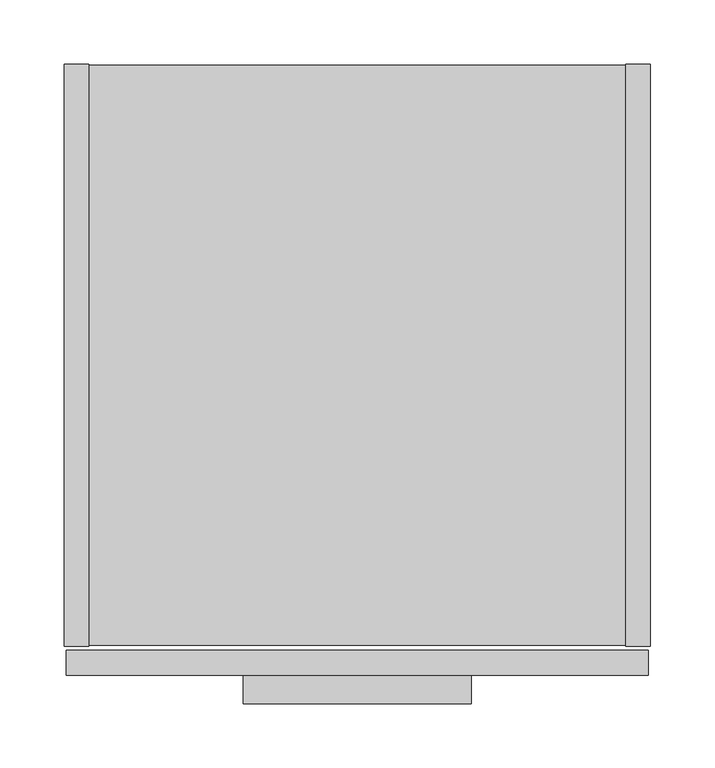
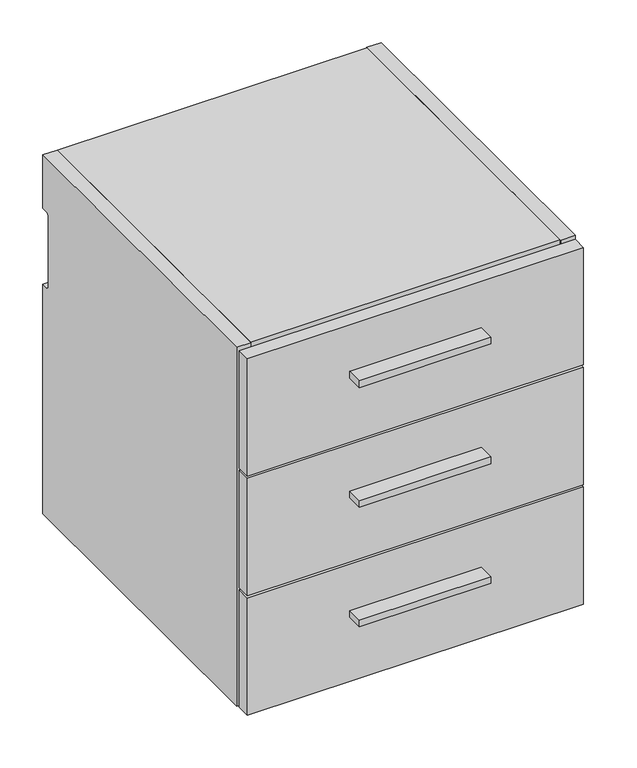
"""IFC4 building model written with IfcOpenShell, lengths in millimetres: furniture geometry."""

from ifc_helpers import new_model, si_unit, point, frame, frame_2d, origin, place, context, project, spatial, polyline, circle_curve, trimmed, segment, composite_curve, outline, extrude, source, transform, mapped, element, save


def furniture_03010cae(model_context):
    return source(origin(), model_context, "Body", "SweptSolid", [
        extrude(outline(polyline([(317.5, -498.729), (139.7, -498.729), (139.7, -476.504), (317.5, -476.504), (317.5, -498.729)])), frame((0.0, 0.0, 759.1425), z_axis=(0.0, 0.0, 1.0), x_axis=(1.0, 0.0, 0.0)), (0.0, 0.0, 1.0), 9.525),
        extrude(outline(polyline([(317.5, -498.729), (139.7, -498.729), (139.7, -476.504), (317.5, -476.504), (317.5, -498.729)])), frame((0.0, 0.0, 588.2767), z_axis=(0.0, 0.0, 1.0), x_axis=(1.0, 0.0, 0.0)), (0.0, 0.0, 1.0), 9.525),
        extrude(outline(polyline([(317.5, -498.729), (139.7, -498.729), (139.7, -476.504), (317.5, -476.504), (317.5, -498.729)])), frame((0.0, 0.0, 417.4109), z_axis=(0.0, 0.0, 1.0), x_axis=(1.0, 0.0, 0.0)), (0.0, 0.0, 1.0), 9.525),
        extrude(outline(polyline([(455.6125, -476.504), (1.5875, -476.504), (1.5875, -457.2), (455.6125, -457.2), (455.6125, -476.504)])), frame((0.0, 0.0, 667.3342), z_axis=(0.0, 0.0, 1.0), x_axis=(1.0, 0.0, 0.0)), (0.0, 0.0, 1.0), 167.6908),
        extrude(outline(polyline([(455.6125, -476.504), (1.5875, -476.504), (1.5875, -457.2), (455.6125, -457.2), (455.6125, -476.504)])), frame((0.0, 0.0, 496.4684), z_axis=(0.0, 0.0, 1.0), x_axis=(1.0, 0.0, 0.0)), (0.0, 0.0, 1.0), 167.6908),
        extrude(outline(polyline([(455.6125, -476.504), (1.5875, -476.504), (1.5875, -457.2), (455.6125, -457.2), (455.6125, -476.504)])), frame((0.0, 0.0, 325.6026), z_axis=(0.0, 0.0, 1.0), x_axis=(1.0, 0.0, 0.0)), (0.0, 0.0, 1.0), 167.6908),
        extrude(outline(composite_curve([segment(polyline([(-454.025, 838.2), (0.0, 838.2), (0.0, 761.492), (-9.3963729, 761.492)]), True, "CONTINUOUS"), segment(trimmed(circle_curve(frame_2d((-9.3963729, 758.1883729)), 3.3036271), [point((-9.3963729, 761.492))], [point((-12.7, 758.1883729))], True, "CARTESIAN"), True, "CONTINUOUS"), segment(polyline([(-12.7, 758.1883729), (-12.7, 656.844)]), True, "CONTINUOUS"), segment(trimmed(circle_curve(frame_2d((-9.398, 656.844)), 3.302), [point((-12.7, 656.844))], [point((-9.398, 653.542))], True, "CARTESIAN"), True, "CONTINUOUS"), segment(polyline([(-9.398, 653.542), (0.0, 653.542), (0.0, 325.628), (-454.025, 325.628), (-454.025, 838.2)]), True, "CONTINUOUS")], self_intersect=False)), frame((437.896, 0.0, 0.0), z_axis=(1.0, 0.0, 0.0), x_axis=(0.0, 1.0, 0.0)), (0.0, 0.0, 1.0), 19.304),
        extrude(outline(polyline([(437.896, -0.9906), (437.896, -453.0344), (19.304, -453.0344), (19.304, -0.9906), (437.896, -0.9906)])), frame((0.0, 0.0, 326.6186), z_axis=(0.0, 0.0, 1.0), x_axis=(1.0, 0.0, 0.0)), (0.0, 0.0, 1.0), 19.304),
        extrude(outline(composite_curve([segment(polyline([(-32.004, 818.896), (-11.938, 818.896), (-11.938, 760.2988429)]), True, "CONTINUOUS"), segment(trimmed(circle_curve(frame_2d((-9.3963729, 758.1883729)), 3.3036271), [point((-11.938, 760.2988429))], [point((-12.7, 758.1883729))], True, "CARTESIAN"), True, "CONTINUOUS"), segment(polyline([(-12.7, 758.1883729), (-12.7, 656.844)]), True, "CONTINUOUS"), segment(trimmed(circle_curve(frame_2d((-9.398, 656.844)), 3.302), [point((-12.7, 656.844))], [point((-11.938, 654.7341175))], True, "CARTESIAN"), True, "CONTINUOUS"), segment(polyline([(-11.938, 654.7341175), (-11.938, 345.9226), (-32.004, 345.9226), (-32.004, 818.896)]), True, "CONTINUOUS")], self_intersect=False)), frame((19.304, 0.0, 0.0), z_axis=(1.0, 0.0, 0.0), x_axis=(0.0, 1.0, 0.0)), (0.0, 0.0, 1.0), 418.592),
        extrude(outline(composite_curve([segment(polyline([(-454.025, 838.2), (0.0, 838.2), (0.0, 761.492), (-9.3963729, 761.492)]), True, "CONTINUOUS"), segment(trimmed(circle_curve(frame_2d((-9.3963729, 758.1883729)), 3.3036271), [point((-9.3963729, 761.492))], [point((-12.7, 758.1883729))], True, "CARTESIAN"), True, "CONTINUOUS"), segment(polyline([(-12.7, 758.1883729), (-12.7, 656.844)]), True, "CONTINUOUS"), segment(trimmed(circle_curve(frame_2d((-9.398, 656.844)), 3.302), [point((-12.7, 656.844))], [point((-9.398, 653.542))], True, "CARTESIAN"), True, "CONTINUOUS"), segment(polyline([(-9.398, 653.542), (0.0, 653.542), (0.0, 325.628), (-454.025, 325.628), (-454.025, 838.2)]), True, "CONTINUOUS")], self_intersect=False)), frame((0.0, 0.0, 0.0), z_axis=(1.0, 0.0, 0.0), x_axis=(0.0, 1.0, 0.0)), (0.0, 0.0, 1.0), 19.304),
        extrude(outline(polyline([(437.896, -453.0344), (19.304, -453.0344), (19.304, -0.9906), (437.896, -0.9906), (437.896, -453.0344)])), frame((0.0, 0.0, 818.896), z_axis=(0.0, 0.0, 1.0), x_axis=(1.0, 0.0, 0.0)), (0.0, 0.0, 1.0), 19.304),
    ])


if __name__ == "__main__":
    model = new_model("IFC4")
    model_context = context("Model", 3, world=origin())
    ifc_project = project(units=[si_unit("LENGTHUNIT", "METRE", prefix="MILLI")], contexts=[model_context])
    site = spatial("IfcSite", under=ifc_project)
    building = spatial("IfcBuilding", under=site)
    placement = place(None, origin())
    furniture_shape = furniture_03010cae(model_context)
    element("IfcFurniture", 1, at=placement, inside=building, context=model_context, shape_type="MappedRepresentation", body=[
        mapped(furniture_shape, transform((0.0, 0.0, 0.0), x_axis=(1.0, 0.0, 0.0), y_axis=(0.0, 1.0, 0.0), z_axis=(0.0, 0.0, 1.0))),
    ])
    save(model, "model.ifc")
